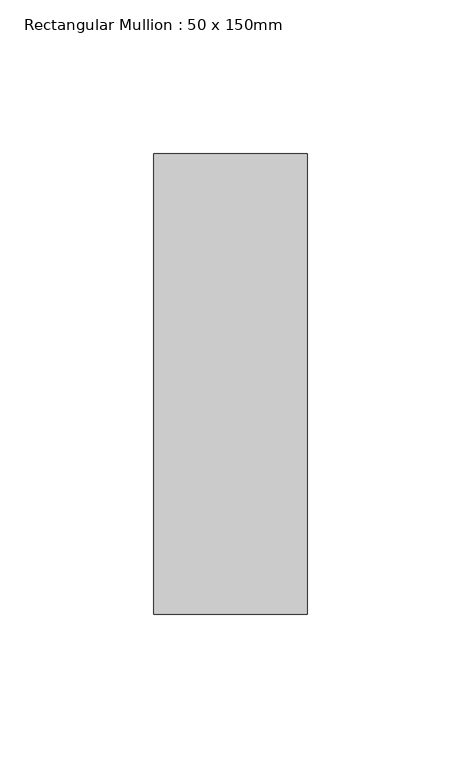
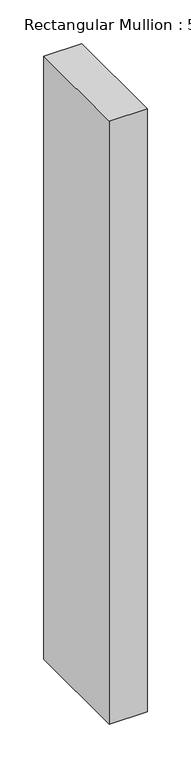
"""IFC4 building model written with IfcOpenShell, lengths in millimetres: member geometry, Rectangular Mullion : 50 x 150mm."""

from ifc_helpers import new_model, si_unit, frame, origin, place, context, project, spatial, polyline, outline, extrude, source, transform, mapped, element, save


def rectangular_mullion_50_x_150mm_08151112(model_context):
    return source(origin(), model_context, "Body", "SweptSolid", [
        extrude(outline(polyline([(0.0, 75.0), (0.0, -75.0), (-50.0, -75.0), (-50.0, 75.0), (0.0, 75.0)])), frame((0.0, 0.0, -841.418847), z_axis=(0.0, 0.0, 1.0), x_axis=(1.0, 0.0, 0.0)), (0.0, 0.0, 1.0), 841.418847),
    ])


if __name__ == "__main__":
    model = new_model("IFC4")
    model_context = context("Model", 3, world=origin())
    ifc_project = project(units=[si_unit("LENGTHUNIT", "METRE", prefix="MILLI")], contexts=[model_context])
    site = spatial("IfcSite", under=ifc_project)
    building = spatial("IfcBuilding", under=site)
    placement = place(None, origin())
    rectangular_mullion_50_x_150mm_shape = rectangular_mullion_50_x_150mm_08151112(model_context)
    element("IfcMember", 1, ObjectType="Rectangular Mullion : 50 x 150mm", at=placement, inside=building, context=model_context, shape_type="MappedRepresentation", body=[
        mapped(rectangular_mullion_50_x_150mm_shape, transform((0.0, 0.0, 0.0), x_axis=(1.0, 0.0, 0.0), y_axis=(0.0, 1.0, 0.0), z_axis=(0.0, 0.0, 1.0))),
    ])
    save(model, "model.ifc")
